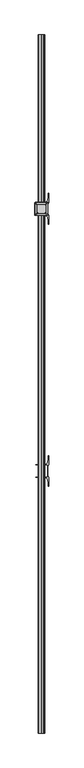
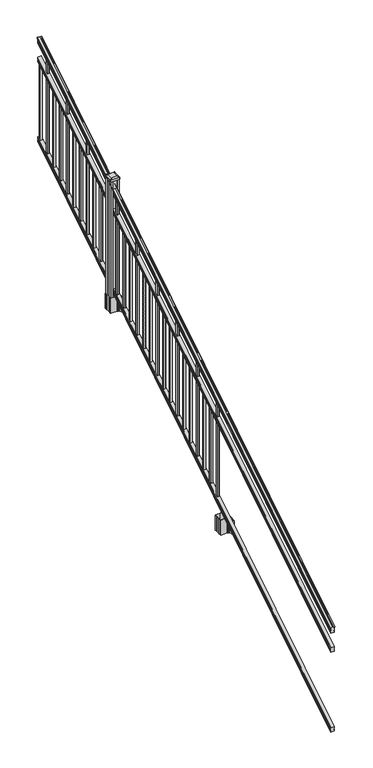
"""IFC4 building model written with IfcOpenShell, lengths in millimetres: railing geometry."""

from ifc_helpers import new_model, si_unit, point, frame, frame_2d, origin, place, context, project, spatial, polyline, circle_curve, ellipse_curve, trimmed, segment, composite_curve, outline, extrude, faceted_brep, source, transform, mapped, element, save
from ifc_brep_helpers import plane_surface, cylinder_surface, revolved_surface, extruded_surface, advanced_brep


def railing_a4d23109(model_context):
    return source(origin(), model_context, "Body", "SolidModel", [
        advanced_brep(
        [(8666.232944, -115957.2628453, 1285.6070492), (8668.8067728, -115957.2628453, 1285.6070492), (8668.8067728, -115957.2628453, 1273.0394336), (8667.7907728, -115957.2628453, 1271.841318), (8667.7907728, -115957.2628453, 1257.3), (8699.5407728, -115957.2628453, 1257.3), (8699.5407728, -115957.2628453, 1272.0274214), (8698.5247728, -115957.2628453, 1273.225537), (8698.5247728, -115957.2628453, 1285.6070492), (8701.0986015, -115957.2628453, 1285.6070492), (8701.0986015, -115957.2628453, 1287.8335658), (8702.2287878, -115957.2628453, 1289.6758543), (8702.2287878, -115957.2628453, 1298.1876358), (8701.5795314, -115957.2628453, 1301.0572588), (8704.0795314, -115957.2628453, 1306.1635509), (8705.4888739, -115957.2628453, 1308.1442021), (8705.8907729, -115957.2628453, 1309.4469579), (8705.8907728, -115957.2628453, 1311.0274846), (8704.3373255, -115957.2628453, 1312.8593836), (8683.6657728, -115957.2628453, 1312.8593836), (8662.99422, -115957.2628453, 1312.8593836), (8661.4407728, -115957.2628453, 1311.0274846), (8661.4407728, -115957.2628453, 1309.4469579), (8661.8426717, -115957.2628453, 1308.1442021), (8663.2520141, -115957.2628453, 1306.1635509), (8665.7520141, -115957.2628453, 1301.0572588), (8665.1027577, -115957.2628453, 1298.1876358), (8665.1027577, -115957.2628453, 1289.6758543), (8666.232944, -115957.2628453, 1287.8335658), (8666.232944, -111080.4628453, 4333.6070492), (8666.232944, -111080.4628453, 4335.8335658), (8665.1027577, -111080.4628453, 4337.6758543), (8665.1027577, -111080.4628453, 4346.1876358), (8665.7520141, -111080.4628453, 4349.0572588), (8663.2520141, -111080.4628453, 4354.1635509), (8661.8426717, -111080.4628453, 4356.1442021), (8661.4407727, -111080.4628453, 4357.4469579), (8661.4407728, -111080.4628453, 4359.0274846), (8662.99422, -111080.4628453, 4360.8593836), (8683.6657728, -111080.4628453, 4360.8593836), (8704.3373255, -111080.4628453, 4360.8593836), (8705.8907728, -111080.4628453, 4359.0274846), (8705.8907728, -111080.4628453, 4357.4469579), (8705.4888739, -111080.4628453, 4356.1442021), (8704.0795314, -111080.4628453, 4354.1635509), (8701.5795314, -111080.4628453, 4349.0572588), (8702.2287878, -111080.4628453, 4346.1876358), (8702.2287878, -111080.4628453, 4337.6758543), (8701.0986015, -111080.4628453, 4335.8335658), (8701.0986015, -111080.4628453, 4333.6070492), (8698.5247728, -111080.4628453, 4333.6070492), (8698.5247728, -111080.4628453, 4321.225537), (8699.5407728, -111080.4628453, 4320.0274214), (8699.5407728, -111080.4628453, 4305.3), (8667.7907728, -111080.4628453, 4305.3), (8667.7907728, -111080.4628453, 4319.841318), (8668.8067728, -111080.4628453, 4321.0394336), (8668.8067728, -111080.4628453, 4333.6070492)],
        [
            (0, 1, ellipse_curve(frame((8667.5198584, -115957.2628453, 1285.6070492), z_axis=(0.0, -1.0, 0.0), x_axis=(0.0, 0.0, -1.0)), 1.5175907, 1.2869144)),
            (1, 2),
            (2, 3),
            (3, 4),
            (4, 5),
            (5, 6),
            (6, 7),
            (7, 8),
            (8, 9, ellipse_curve(frame((8699.8116871, -115957.2628453, 1285.6070492), z_axis=(0.0, -1.0, 0.0), x_axis=(0.0, 0.0, -1.0)), 1.5175907, 1.2869144)),
            (9, 10),
            (10, 11, ellipse_curve(frame((8694.7838482, -115957.2628453, 1294.6239405), z_axis=(0.0, -1.0, 0.0), x_axis=(0.0, 0.0, -1.0)), 10.0777926, 8.545951)),
            (11, 12, ellipse_curve(frame((8695.2209112, -115957.2628453, 1293.9317451), z_axis=(0.0, -1.0, 0.0), x_axis=(0.0, 0.0, -1.0)), 9.2955186, 7.882584)),
            (12, 13, ellipse_curve(frame((8705.7342353, -115957.2628453, 1300.8275077), z_axis=(0.0, 1.0, 0.0), x_axis=(0.0, 0.0, 1.0)), 4.9048088, 4.1592695)),
            (13, 14, ellipse_curve(frame((8707.0215419, -115957.2628453, 1300.7563208), z_axis=(0.0, 1.0, 0.0), x_axis=(0.0, 0.0, 1.0)), 6.4245301, 5.4479907)),
            (14, 15, ellipse_curve(frame((8705.7883834, -115957.2628453, 1306.1602333), z_axis=(0.0, 1.0, 0.0), x_axis=(0.0, 0.0, 1.0)), 2.0151625, 1.7088543)),
            (15, 16, ellipse_curve(frame((8704.1714833, -115957.2628453, 1309.4469579), z_axis=(0.0, -1.0, 0.0), x_axis=(0.0, 0.0, -1.0)), 2.0274681, 1.7192895)),
            (16, 17),
            (17, 18, ellipse_curve(frame((8704.3373255, -115957.2628453, 1311.0274846), z_axis=(0.0, -1.0, 0.0), x_axis=(0.0, 0.0, -1.0)), 1.831899, 1.5534472)),
            (18, 19),
            (19, 20),
            (20, 21, ellipse_curve(frame((8662.99422, -115957.2628453, 1311.0274846), z_axis=(0.0, -1.0, 0.0), x_axis=(0.0, 0.0, -1.0)), 1.831899, 1.5534472)),
            (21, 22),
            (22, 23, ellipse_curve(frame((8663.1600622, -115957.2628453, 1309.4469579), z_axis=(0.0, -1.0, 0.0), x_axis=(0.0, 0.0, -1.0)), 2.0274681, 1.7192895)),
            (23, 24, ellipse_curve(frame((8661.5431621, -115957.2628453, 1306.1602333), z_axis=(0.0, 1.0, 0.0), x_axis=(0.0, 0.0, 1.0)), 2.0151625, 1.7088543)),
            (24, 25, ellipse_curve(frame((8660.3100037, -115957.2628453, 1300.7563208), z_axis=(0.0, 1.0, 0.0), x_axis=(0.0, 0.0, 1.0)), 6.4245301, 5.4479907)),
            (25, 26, ellipse_curve(frame((8661.5973102, -115957.2628453, 1300.8275077), z_axis=(0.0, 1.0, 0.0), x_axis=(0.0, 0.0, 1.0)), 4.9048088, 4.1592695)),
            (26, 27, ellipse_curve(frame((8672.1106343, -115957.2628453, 1293.9317451), z_axis=(0.0, -1.0, 0.0), x_axis=(0.0, 0.0, -1.0)), 9.2955186, 7.882584)),
            (27, 28, ellipse_curve(frame((8672.5476973, -115957.2628453, 1294.6239405), z_axis=(0.0, -1.0, 0.0), x_axis=(0.0, 0.0, -1.0)), 10.0777926, 8.545951)),
            (28, 0),
            (29, 30),
            (30, 31, ellipse_curve(frame((8672.5476973, -111080.4628453, 4342.6239405), z_axis=(0.0, 1.0, 0.0), x_axis=(0.0, 0.0, -1.0)), 10.0777926, 8.545951)),
            (31, 32, ellipse_curve(frame((8672.1106343, -111080.4628453, 4341.9317451), z_axis=(0.0, 1.0, 0.0), x_axis=(0.0, 0.0, -1.0)), 9.2955186, 7.882584)),
            (32, 33, ellipse_curve(frame((8661.5973102, -111080.4628453, 4348.8275077), z_axis=(0.0, -1.0, 0.0), x_axis=(0.0, 0.0, 1.0)), 4.9048088, 4.1592695)),
            (33, 34, ellipse_curve(frame((8660.3100037, -111080.4628453, 4348.7563208), z_axis=(0.0, -1.0, 0.0), x_axis=(0.0, 0.0, 1.0)), 6.4245301, 5.4479907)),
            (34, 35, ellipse_curve(frame((8661.5431621, -111080.4628453, 4354.1602333), z_axis=(0.0, -1.0, 0.0), x_axis=(0.0, 0.0, 1.0)), 2.0151625, 1.7088543)),
            (35, 36, ellipse_curve(frame((8663.1600622, -111080.4628453, 4357.4469579), z_axis=(0.0, 1.0, 0.0), x_axis=(0.0, 0.0, -1.0)), 2.0274681, 1.7192895)),
            (36, 37),
            (37, 38, ellipse_curve(frame((8662.99422, -111080.4628453, 4359.0274846), z_axis=(0.0, 1.0, 0.0), x_axis=(0.0, 0.0, -1.0)), 1.831899, 1.5534472)),
            (38, 39),
            (39, 40),
            (40, 41, ellipse_curve(frame((8704.3373255, -111080.4628453, 4359.0274846), z_axis=(0.0, 1.0, 0.0), x_axis=(0.0, 0.0, -1.0)), 1.831899, 1.5534472)),
            (41, 42),
            (42, 43, ellipse_curve(frame((8704.1714833, -111080.4628453, 4357.4469579), z_axis=(0.0, 1.0, 0.0), x_axis=(0.0, 0.0, -1.0)), 2.0274681, 1.7192895)),
            (43, 44, ellipse_curve(frame((8705.7883834, -111080.4628453, 4354.1602333), z_axis=(0.0, -1.0, 0.0), x_axis=(0.0, 0.0, 1.0)), 2.0151625, 1.7088543)),
            (44, 45, ellipse_curve(frame((8707.0215419, -111080.4628453, 4348.7563208), z_axis=(0.0, -1.0, 0.0), x_axis=(0.0, 0.0, 1.0)), 6.4245301, 5.4479907)),
            (45, 46, ellipse_curve(frame((8705.7342353, -111080.4628453, 4348.8275077), z_axis=(0.0, -1.0, 0.0), x_axis=(0.0, 0.0, 1.0)), 4.9048088, 4.1592695)),
            (46, 47, ellipse_curve(frame((8695.2209112, -111080.4628453, 4341.9317451), z_axis=(0.0, 1.0, 0.0), x_axis=(0.0, 0.0, -1.0)), 9.2955186, 7.882584)),
            (47, 48, ellipse_curve(frame((8694.7838482, -111080.4628453, 4342.6239405), z_axis=(0.0, 1.0, 0.0), x_axis=(0.0, 0.0, -1.0)), 10.0777926, 8.545951)),
            (48, 49),
            (49, 50, ellipse_curve(frame((8699.8116871, -111080.4628453, 4333.6070492), z_axis=(0.0, 1.0, 0.0), x_axis=(0.0, 0.0, -1.0)), 1.5175907, 1.2869144)),
            (50, 51),
            (51, 52),
            (52, 53),
            (53, 54),
            (54, 55),
            (55, 56),
            (56, 57),
            (57, 29, ellipse_curve(frame((8667.5198584, -111080.4628453, 4333.6070492), z_axis=(0.0, 1.0, 0.0), x_axis=(0.0, 0.0, -1.0)), 1.5175907, 1.2869144)),
            (28, 30),
            (29, 0),
            (27, 31),
            (26, 32),
            (25, 33),
            (24, 34),
            (23, 35),
            (22, 36),
            (21, 37),
            (20, 38),
            (19, 39),
            (18, 40),
            (17, 41),
            (16, 42),
            (15, 43),
            (14, 44),
            (13, 45),
            (12, 46),
            (11, 47),
            (10, 48),
            (9, 49),
            (8, 50),
            (7, 51),
            (6, 52),
            (5, 53),
            (4, 54),
            (3, 55),
            (2, 56),
            (1, 57),
        ],
        [
            plane_surface(frame((8683.6657728, -115957.2628453, 1257.3), z_axis=(0.0, -1.0, 0.0), x_axis=(0.0, 0.0, 1.0))),
            plane_surface(frame((8683.6657728, -111080.4628453, 4305.3), z_axis=(0.0, 1.0, 0.0), x_axis=(0.0, 0.0, 1.0))),
            plane_surface(frame((8666.232944, -115957.2628453, 1287.8335658), z_axis=(-1.0, 0.0, 0.0), x_axis=(0.0, 0.8479983040051252, 0.5299989400031204))),
            cylinder_surface(frame((8672.5476973, -115974.03765, 1284.1396876), z_axis=(0.0, -0.8479983040051253, -0.5299989400031204), x_axis=(1.0, 0.0, 0.0)), 8.545951),
            cylinder_surface(frame((8672.1106343, -115973.7265509, 1283.641929), z_axis=(0.0, -0.8479983040051253, -0.5299989400031204), x_axis=(1.0, 0.0, 0.0)), 7.882584),
            revolved_surface(polyline([(8665.7565797, -111078.25843685034, 4350.205262980551), (8665.7565797, -115959.46725374945, 1299.4497524190954)]), (8661.5973102, -115976.8257701, 1288.6006797), (0.0, 0.8479983040051253, 0.5299989400031204)),
            revolved_surface(polyline([(8665.7579944, -111077.57541603575, 4350.5609640771845), (8665.7579944, -115960.15027455281, 1298.9516775044929)]), (8660.3100037, -115976.793776, 1288.5494891), (0.0, 0.8479983040051253, 0.5299989400031204)),
            revolved_surface(polyline([(8663.252016400002, -111079.55715429978, 4354.726290199651), (8663.252016400002, -115958.16853632247, 1305.594176435948)]), (8661.5431621, -115979.2225007, 1292.4354487), (0.0, 0.8479983040051253, 0.5299989400031204)),
            cylinder_surface(frame((8663.1600622, -115980.6996803, 1294.798936), z_axis=(0.0, -0.8479983040051253, -0.5299989400031204), x_axis=(1.0, 0.0, 0.0)), 1.7192895),
            plane_surface(frame((8661.4407728, -115957.2628453, 1311.0274846), z_axis=(-1.0000000000000002, 0.0, 0.0), x_axis=(0.0, 0.8479983040051253, 0.5299989400031204))),
            cylinder_surface(frame((8662.99422, -115981.4100294, 1295.9354945), z_axis=(0.0, -0.8479983040051253, -0.5299989400031204), x_axis=(1.0, 0.0, 0.0)), 1.5534472),
            plane_surface(frame((8683.6657728, -115957.2628453, 1312.8593836), z_axis=(0.0, -0.5299989400031204, 0.8479983040051252), x_axis=(0.0, 0.8479983040051252, 0.5299989400031204))),
            plane_surface(frame((8704.3373255, -115957.2628453, 1312.8593836), z_axis=(0.0, -0.5299989400031204, 0.8479983040051252), x_axis=(0.0, 0.8479983040051252, 0.5299989400031204))),
            cylinder_surface(frame((8704.3373255, -115981.4100294, 1295.9354945), z_axis=(0.0, -0.8479983040051253, -0.5299989400031204), x_axis=(-1.0, 0.0, 0.0)), 1.5534472),
            plane_surface(frame((8705.8907728, -115957.2628453, 1309.4469579), z_axis=(1.0, 0.0, 0.0), x_axis=(0.0, 0.8479983040051252, 0.5299989400031204))),
            cylinder_surface(frame((8704.1714833, -115980.6996803, 1294.798936), z_axis=(0.0, -0.8479983040051253, -0.5299989400031204), x_axis=(-1.0, 0.0, 0.0)), 1.7192895),
            revolved_surface(polyline([(8704.0795291, -111079.55715429978, 4354.726290199651), (8704.0795291, -115958.16853632247, 1305.594176435948)]), (8705.7883834, -115979.2225007, 1292.4354487), (0.0, 0.8479983040051253, 0.5299989400031204)),
            revolved_surface(polyline([(8701.5735512, -111077.57541603575, 4350.5609640771845), (8701.5735512, -115960.15027455281, 1298.9516775044929)]), (8707.0215419, -115976.793776, 1288.5494891), (0.0, 0.8479983040051253, 0.5299989400031204)),
            revolved_surface(polyline([(8701.5749658, -111078.25843685034, 4350.205262980551), (8701.5749658, -115959.46725374945, 1299.4497524190954)]), (8705.7342353, -115976.8257701, 1288.6006797), (0.0, 0.8479983040051253, 0.5299989400031204)),
            cylinder_surface(frame((8695.2209112, -115973.7265509, 1283.641929), z_axis=(0.0, -0.8479983040051253, -0.5299989400031204), x_axis=(-1.0, 0.0, 0.0)), 7.882584),
            cylinder_surface(frame((8694.7838482, -115974.03765, 1284.1396876), z_axis=(0.0, -0.8479983040051253, -0.5299989400031204), x_axis=(-1.0, 0.0, 0.0)), 8.545951),
            plane_surface(frame((8701.0986015, -115957.2628453, 1285.6070492), z_axis=(1.0, 0.0, 0.0), x_axis=(0.0, 0.8479983040051252, 0.5299989400031204))),
            cylinder_surface(frame((8699.8116871, -115969.9851146, 1277.6556309), z_axis=(0.0, -0.8479983040051253, -0.5299989400031204), x_axis=(-1.0, 0.0, 0.0)), 1.2869144),
            plane_surface(frame((8698.5247728, -115957.2628453, 1273.225537), z_axis=(1.0, 0.0, 0.0), x_axis=(0.0, 0.8479983040051252, 0.5299989400031204))),
            plane_surface(frame((8699.5407728, -115957.2628453, 1272.0274214), z_axis=(0.7071067811865425, -0.37476584449789213, 0.5996253511967194), x_axis=(0.0, 0.8479983040051252, 0.5299989400031204))),
            plane_surface(frame((8699.5407728, -115957.2628453, 1257.3), z_axis=(1.0, 0.0, 0.0), x_axis=(0.0, 0.8479983040051252, 0.5299989400031204))),
            plane_surface(frame((8667.7907728, -115957.2628453, 1257.3), z_axis=(0.0, 0.5299989400031204, -0.8479983040051252), x_axis=(0.0, 0.8479983040051252, 0.5299989400031204))),
            plane_surface(frame((8667.7907728, -115957.2628453, 1271.841318), z_axis=(-1.0, 0.0, 0.0), x_axis=(0.0, 0.8479983040051253, 0.5299989400031203))),
            plane_surface(frame((8668.8067728, -115957.2628453, 1273.0394336), z_axis=(-0.7071067811865401, -0.3747658444978918, 0.5996253511967223), x_axis=(0.0, 0.8479983040051253, 0.5299989400031204))),
            plane_surface(frame((8668.8067728, -115957.2628453, 1285.6070492), z_axis=(-1.0, 0.0, 0.0), x_axis=(0.0, 0.8479983040051252, 0.5299989400031204))),
            cylinder_surface(frame((8667.5198584, -115969.9851146, 1277.6556309), z_axis=(0.0, -0.8479983040051253, -0.5299989400031204), x_axis=(1.0, 0.0, 0.0)), 1.2869144),
        ],
        [
            (0, [[1, 2, 3, 4, 5, 6, 7, 8, 9, 10, 11, 12, 13, 14, 15, 16, 17, 18, 19, 20, 21, 22, 23, 24, 25, 26, 27, 28, 29]]),
            (1, [[30, 31, 32, 33, 34, 35, 36, 37, 38, 39, 40, 41, 42, 43, 44, 45, 46, 47, 48, 49, 50, 51, 52, 53, 54, 55, 56, 57, 58]]),
            (2, [[-29, 59, -30, 60]]),
            (3, [[-28, 61, -31, -59]]),
            (4, [[-27, 62, -32, -61]]),
            (5, [[-26, 63, -33, -62]]),
            (6, [[-25, 64, -34, -63]]),
            (7, [[-24, 65, -35, -64]]),
            (8, [[-23, 66, -36, -65]]),
            (9, [[-22, 67, -37, -66]]),
            (10, [[-21, 68, -38, -67]]),
            (11, [[-20, 69, -39, -68]]),
            (12, [[-19, 70, -40, -69]]),
            (13, [[-18, 71, -41, -70]]),
            (14, [[-17, 72, -42, -71]]),
            (15, [[-16, 73, -43, -72]]),
            (16, [[-15, 74, -44, -73]]),
            (17, [[-14, 75, -45, -74]]),
            (18, [[-13, 76, -46, -75]]),
            (19, [[-12, 77, -47, -76]]),
            (20, [[-11, 78, -48, -77]]),
            (21, [[-10, 79, -49, -78]]),
            (22, [[-9, 80, -50, -79]]),
            (23, [[-8, 81, -51, -80]]),
            (24, [[-7, 82, -52, -81]]),
            (25, [[-6, 83, -53, -82]]),
            (26, [[-5, 84, -54, -83]]),
            (27, [[-4, 85, -55, -84]]),
            (28, [[-3, 86, -56, -85]]),
            (29, [[-2, 87, -57, -86]]),
            (30, [[-1, -60, -58, -87]]),
        ],
    ),
        faceted_brep([(8667.7532859, -115957.2628453, 1081.6045079), (8667.7532859, -115957.2628453, 1066.8), (8699.5032859, -115957.2628453, 1066.8), (8699.5032859, -115957.2628453, 1081.5848772), (8698.4872859, -115957.2628453, 1083.1748303), (8698.4872859, -115957.2628453, 1095.3348741), (8699.5032859, -115957.2628453, 1096.9248272), (8699.5032859, -115957.2628453, 1111.7244744), (8667.7532859, -115957.2628453, 1111.7244744), (8667.7532859, -115957.2628453, 1096.9444579), (8668.7692859, -115957.2628453, 1095.3545048), (8668.7692859, -115957.2628453, 1083.138026), (8667.7532859, -111080.4628453, 4129.6045079), (8668.7692859, -111080.4628453, 4131.138026), (8668.7692859, -111080.4628453, 4143.3545048), (8667.7532859, -111080.4628453, 4144.9444579), (8667.7532859, -111080.4628453, 4159.7244744), (8699.5032859, -111080.4628453, 4159.7244744), (8699.5032859, -111080.4628453, 4144.9248272), (8698.4872859, -111080.4628453, 4143.3348741), (8698.4872859, -111080.4628453, 4131.1748303), (8699.5032859, -111080.4628453, 4129.5848772), (8699.5032859, -111080.4628453, 4114.8), (8667.7532859, -111080.4628453, 4114.8)], [[[0, 1, 2, 3, 4, 5, 6, 7, 8, 9, 10, 11]], [[12, 13, 14, 15, 16, 17, 18, 19, 20, 21, 22, 23]], [[0, 11, 13, 12]], [[11, 10, 14, 13]], [[10, 9, 15, 14]], [[9, 8, 16, 15]], [[8, 7, 17, 16]], [[7, 6, 18, 17]], [[6, 5, 19, 18]], [[5, 4, 20, 19]], [[4, 3, 21, 20]], [[3, 2, 22, 21]], [[2, 1, 23, 22]], [[1, 0, 12, 23]]]),
        faceted_brep([(8667.7532859, -115957.2628453, 268.8045079), (8667.7532859, -115957.2628453, 254.0), (8699.5032859, -115957.2628453, 254.0), (8699.5032859, -115957.2628453, 268.7848772), (8698.4872859, -115957.2628453, 270.3748303), (8698.4872859, -115957.2628453, 282.5348741), (8699.5032859, -115957.2628453, 284.1248272), (8699.5032859, -115957.2628453, 298.9244744), (8667.7532859, -115957.2628453, 298.9244744), (8667.7532859, -115957.2628453, 284.1444579), (8668.7692859, -115957.2628453, 282.5545048), (8668.7692859, -115957.2628453, 270.338026), (8667.7532859, -111080.4628453, 3316.8045079), (8668.7692859, -111080.4628453, 3318.338026), (8668.7692859, -111080.4628453, 3330.5545048), (8667.7532859, -111080.4628453, 3332.1444579), (8667.7532859, -111080.4628453, 3346.9244744), (8699.5032859, -111080.4628453, 3346.9244744), (8699.5032859, -111080.4628453, 3332.1248272), (8698.4872859, -111080.4628453, 3330.5348741), (8698.4872859, -111080.4628453, 3318.3748303), (8699.5032859, -111080.4628453, 3316.7848772), (8699.5032859, -111080.4628453, 3302.0), (8667.7532859, -111080.4628453, 3302.0)], [[[0, 1, 2, 3, 4, 5, 6, 7, 8, 9, 10, 11]], [[12, 13, 14, 15, 16, 17, 18, 19, 20, 21, 22, 23]], [[1, 0, 12, 23]], [[7, 6, 18, 17]], [[9, 8, 16, 15]], [[11, 10, 14, 13]], [[2, 1, 23, 22]], [[3, 2, 22, 21]], [[4, 3, 21, 20]], [[5, 4, 20, 19]], [[6, 5, 19, 18]], [[8, 7, 17, 16]], [[10, 9, 15, 14]], [[0, 11, 13, 12]]]),
        extrude(outline(polyline([(8674.1407728, -111111.5778453), (8674.1407728, -111092.5278453), (8693.1907728, -111092.5278453), (8693.1907728, -111111.5778453), (8674.1407728, -111111.5778453)]), holes=[polyline([(8674.5376478, -111111.1809703), (8692.7938978, -111111.1809703), (8692.7938978, -111092.9247203), (8674.5376478, -111092.9247203), (8674.5376478, -111111.1809703)])]), frame((0.0, 0.0, 3326.6021281), z_axis=(0.0, 0.0, 1.0), x_axis=(1.0, 0.0, 0.0)), (0.0, 0.0, 1.0), 774.7041219),
        extrude(outline(polyline([(8674.1407728, -111222.8298453), (8674.1407728, -111203.7798453), (8693.1907728, -111203.7798453), (8693.1907728, -111222.8298453), (8674.1407728, -111222.8298453)]), holes=[polyline([(8674.5376478, -111222.4329703), (8692.7938978, -111222.4329703), (8692.7938978, -111204.1767203), (8674.5376478, -111204.1767203), (8674.5376478, -111222.4329703)])]), frame((0.0, 0.0, 3257.0696281), z_axis=(0.0, 0.0, 1.0), x_axis=(1.0, 0.0, 0.0)), (0.0, 0.0, 1.0), 965.2041219),
        extrude(outline(polyline([(8674.1407728, -111334.0818453), (8674.1407728, -111315.0318453), (8693.1907728, -111315.0318453), (8693.1907728, -111334.0818453), (8674.1407728, -111334.0818453)]), holes=[polyline([(8674.5376478, -111333.6849703), (8692.7938978, -111333.6849703), (8692.7938978, -111315.4287203), (8674.5376478, -111315.4287203), (8674.5376478, -111333.6849703)])]), frame((0.0, 0.0, 3187.5371281), z_axis=(0.0, 0.0, 1.0), x_axis=(1.0, 0.0, 0.0)), (0.0, 0.0, 1.0), 774.7041219),
        extrude(outline(polyline([(8674.1407728, -111445.3338453), (8674.1407728, -111426.2838453), (8693.1907728, -111426.2838453), (8693.1907728, -111445.3338453), (8674.1407728, -111445.3338453)]), holes=[polyline([(8674.5376478, -111444.9369703), (8692.7938978, -111444.9369703), (8692.7938978, -111426.6807203), (8674.5376478, -111426.6807203), (8674.5376478, -111444.9369703)])]), frame((0.0, 0.0, 3118.0046281), z_axis=(0.0, 0.0, 1.0), x_axis=(1.0, 0.0, 0.0)), (0.0, 0.0, 1.0), 774.7041219),
        extrude(outline(polyline([(8674.1407728, -111556.5858453), (8674.1407728, -111537.5358453), (8693.1907728, -111537.5358453), (8693.1907728, -111556.5858453), (8674.1407728, -111556.5858453)]), holes=[polyline([(8674.5376478, -111556.1889703), (8692.7938978, -111556.1889703), (8692.7938978, -111537.9327203), (8674.5376478, -111537.9327203), (8674.5376478, -111556.1889703)])]), frame((0.0, 0.0, 3048.4721281), z_axis=(0.0, 0.0, 1.0), x_axis=(1.0, 0.0, 0.0)), (0.0, 0.0, 1.0), 965.2041219),
        extrude(outline(polyline([(8674.1407728, -111667.8378453), (8674.1407728, -111648.7878453), (8693.1907728, -111648.7878453), (8693.1907728, -111667.8378453), (8674.1407728, -111667.8378453)]), holes=[polyline([(8674.5376478, -111667.4409703), (8692.7938978, -111667.4409703), (8692.7938978, -111649.1847203), (8674.5376478, -111649.1847203), (8674.5376478, -111667.4409703)])]), frame((0.0, 0.0, 2978.9396281), z_axis=(0.0, 0.0, 1.0), x_axis=(1.0, 0.0, 0.0)), (0.0, 0.0, 1.0), 774.7041219),
        extrude(outline(polyline([(8674.1407728, -111779.0898453), (8674.1407728, -111760.0398453), (8693.1907728, -111760.0398453), (8693.1907728, -111779.0898453), (8674.1407728, -111779.0898453)]), holes=[polyline([(8674.5376478, -111778.6929703), (8692.7938978, -111778.6929703), (8692.7938978, -111760.4367203), (8674.5376478, -111760.4367203), (8674.5376478, -111778.6929703)])]), frame((0.0, 0.0, 2909.4071281), z_axis=(0.0, 0.0, 1.0), x_axis=(1.0, 0.0, 0.0)), (0.0, 0.0, 1.0), 774.7041219),
        extrude(outline(polyline([(8674.1407728, -111890.3418453), (8674.1407728, -111871.2918453), (8693.1907728, -111871.2918453), (8693.1907728, -111890.3418453), (8674.1407728, -111890.3418453)]), holes=[polyline([(8674.5376478, -111889.9449703), (8692.7938978, -111889.9449703), (8692.7938978, -111871.6887203), (8674.5376478, -111871.6887203), (8674.5376478, -111889.9449703)])]), frame((0.0, 0.0, 2839.8746281), z_axis=(0.0, 0.0, 1.0), x_axis=(1.0, 0.0, 0.0)), (0.0, 0.0, 1.0), 965.2041219),
        extrude(outline(polyline([(8674.1407728, -112001.5938453), (8674.1407728, -111982.5438453), (8693.1907728, -111982.5438453), (8693.1907728, -112001.5938453), (8674.1407728, -112001.5938453)]), holes=[polyline([(8674.5376478, -112001.1969703), (8692.7938978, -112001.1969703), (8692.7938978, -111982.9407203), (8674.5376478, -111982.9407203), (8674.5376478, -112001.1969703)])]), frame((0.0, 0.0, 2770.3421281), z_axis=(0.0, 0.0, 1.0), x_axis=(1.0, 0.0, 0.0)), (0.0, 0.0, 1.0), 774.7041219),
        extrude(outline(polyline([(8674.1407728, -112112.8458453), (8674.1407728, -112093.7958453), (8693.1907728, -112093.7958453), (8693.1907728, -112112.8458453), (8674.1407728, -112112.8458453)]), holes=[polyline([(8674.5376478, -112112.4489703), (8692.7938978, -112112.4489703), (8692.7938978, -112094.1927203), (8674.5376478, -112094.1927203), (8674.5376478, -112112.4489703)])]), frame((0.0, 0.0, 2700.8096281), z_axis=(0.0, 0.0, 1.0), x_axis=(1.0, 0.0, 0.0)), (0.0, 0.0, 1.0), 774.7041219),
        extrude(outline(polyline([(8674.1407728, -112224.0978453), (8674.1407728, -112205.0478453), (8693.1907728, -112205.0478453), (8693.1907728, -112224.0978453), (8674.1407728, -112224.0978453)]), holes=[polyline([(8674.5376478, -112223.7009703), (8692.7938978, -112223.7009703), (8692.7938978, -112205.4447203), (8674.5376478, -112205.4447203), (8674.5376478, -112223.7009703)])]), frame((0.0, 0.0, 2631.2771281), z_axis=(0.0, 0.0, 1.0), x_axis=(1.0, 0.0, 0.0)), (0.0, 0.0, 1.0), 965.2041219),
        extrude(outline(composite_curve([segment(polyline([(8640.9302728, -112312.9849401), (8640.9302728, -112278.2127504), (8639.3427728, -112277.4507504), (8639.3427728, -112254.6488224), (8642.7157498, -112251.2758453), (8704.1754206, -112251.2758453), (8704.1754206, -112250.3550953), (8709.4929645, -112250.3550953), (8709.4929645, -112248.9008406), (8714.5774942, -112248.9008406), (8714.5774942, -112247.6168168), (8716.2447665, -112247.6168168)]), True, "CONTINUOUS"), segment(trimmed(circle_curve(frame_2d((8716.2447665, -112240.5573569)), 7.0594599), [point((8716.2447665, -112247.6168168))], [point((8723.0120293, -112242.5673636))], True, "CARTESIAN"), True, "CONTINUOUS"), segment(polyline([(8723.0120293, -112242.5673636), (8730.8862236, -112216.0566345)]), True, "CONTINUOUS"), segment(trimmed(circle_curve(frame_2d((8676.1017103, -112199.7845848)), 57.15), [point((8730.8862236, -112216.0566345))], [point((8733.2517103, -112199.7845848))], True, "CARTESIAN"), True, "CONTINUOUS"), segment(polyline([(8733.2517103, -112199.7845848), (8733.2517103, -112187.7758453), (8736.2517103, -112187.7758453), (8736.2517103, -112252.8633453), (8727.9887728, -112264.2016366), (8727.9887728, -112277.4507504), (8726.4012728, -112278.2127504), (8726.4012728, -112312.9849401), (8727.9887728, -112313.7469401), (8727.9887728, -112326.996054), (8736.2517103, -112338.3343453), (8736.2517103, -112403.4218453), (8733.2517103, -112403.4218453), (8733.2517103, -112391.4131057)]), True, "CONTINUOUS"), segment(trimmed(circle_curve(frame_2d((8676.1017103, -112391.4131057)), 57.15), [point((8733.2517103, -112391.4131057))], [point((8730.8862236, -112375.1410561))], True, "CARTESIAN"), True, "CONTINUOUS"), segment(polyline([(8730.8862236, -112375.1410561), (8723.0120293, -112348.630327)]), True, "CONTINUOUS"), segment(trimmed(circle_curve(frame_2d((8716.2447665, -112350.6403337)), 7.0594599), [point((8723.0120293, -112348.630327))], [point((8716.2447665, -112343.5808738))], True, "CARTESIAN"), True, "CONTINUOUS"), segment(polyline([(8716.2447665, -112343.5808738), (8714.5774942, -112343.5808738), (8714.5774942, -112342.29685), (8709.4929645, -112342.29685), (8709.4929645, -112340.8425953), (8704.1754206, -112340.8425953), (8704.1754206, -112339.9218453), (8642.7157498, -112339.9218453), (8639.3427728, -112336.5488682), (8639.3427728, -112313.7469401), (8640.9302728, -112312.9849401)]), True, "CONTINUOUS")], self_intersect=False), holes=[polyline([(8724.9407728, -112255.9113453), (8723.3532728, -112254.3238453), (8686.4289902, -112254.3238453), (8643.9782728, -112254.3238453), (8642.3907728, -112255.9113453), (8642.3907728, -112335.2863453), (8643.9782728, -112336.8738453), (8686.4289902, -112336.8738453), (8723.3532728, -112336.8738453), (8724.9407728, -112335.2863453), (8724.9407728, -112255.9113453)])]), frame((0.0, 0.0, 2326.64), z_axis=(0.0, 0.0, 1.0), x_axis=(1.0, 0.0, 0.0)), (0.0, 0.0, 1.0), 152.4),
        advanced_brep(
        [(8709.4626478, -112324.5707203, 3691.379263), (8712.6376478, -112321.3957203, 3691.379263), (8712.6376478, -112269.8019703, 3691.379263), (8709.4626478, -112266.6269703, 3691.379263), (8657.8688978, -112266.6269703, 3691.379263), (8654.6938978, -112269.8019703, 3691.379263), (8654.6938978, -112321.3957203, 3691.379263), (8657.8688978, -112324.5707203, 3691.379263), (8725.7345228, -112340.8425953, 3680.076263), (8641.5970228, -112340.8425953, 3680.076263), (8638.4220228, -112337.6675953, 3680.076263), (8638.4220228, -112253.5300953, 3680.076263), (8641.5970228, -112250.3550953, 3680.076263), (8725.7345228, -112250.3550953, 3680.076263), (8728.9095228, -112253.5300953, 3680.076263), (8728.9095228, -112337.6675953, 3680.076263)],
        [
            (0, 1, circle_curve(frame((8709.4626478, -112321.3957203, 3691.379263), z_axis=(0.0, 0.0, 1.0), x_axis=(0.0, 1.0, 0.0)), 3.175)),
            (1, 2),
            (2, 3, circle_curve(frame((8709.4626478, -112269.8019703, 3691.379263), z_axis=(0.0, 0.0, 1.0), x_axis=(0.0, 1.0, 0.0)), 3.175)),
            (3, 4),
            (4, 5, circle_curve(frame((8657.8688978, -112269.8019703, 3691.379263), z_axis=(0.0, 0.0, 1.0), x_axis=(0.0, 1.0, 0.0)), 3.175)),
            (5, 6),
            (6, 7, circle_curve(frame((8657.8688978, -112321.3957203, 3691.379263), z_axis=(0.0, 0.0, 1.0), x_axis=(0.0, 1.0, 0.0)), 3.175)),
            (7, 0),
            (8, 9),
            (9, 10, circle_curve(frame((8641.5970228, -112337.6675953, 3680.076263), z_axis=(0.0, 0.0, -1.0), x_axis=(0.0, 1.0, 0.0)), 3.175)),
            (10, 11),
            (11, 12, circle_curve(frame((8641.5970228, -112253.5300953, 3680.076263), z_axis=(0.0, 0.0, -1.0), x_axis=(0.0, 1.0, 0.0)), 3.175)),
            (12, 13),
            (13, 14, circle_curve(frame((8725.7345228, -112253.5300953, 3680.076263), z_axis=(0.0, 0.0, -1.0), x_axis=(0.0, 1.0, 0.0)), 3.175)),
            (14, 15),
            (15, 8, circle_curve(frame((8725.7345228, -112337.6675953, 3680.076263), z_axis=(0.0, 0.0, -1.0), x_axis=(0.0, 1.0, 0.0)), 3.175)),
            (15, 1),
            (0, 8),
            (14, 2),
            (13, 3),
            (12, 4),
            (11, 5),
            (10, 6),
            (9, 7),
        ],
        [
            plane_surface(frame((8683.6657728, -112295.5988453, 3691.379263), z_axis=(0.0, 0.0, 1.0), x_axis=(1.0, 0.0, 0.0))),
            plane_surface(frame((8683.6657728, -112295.5988453, 3680.076263), z_axis=(0.0, 0.0, -1.0), x_axis=(1.0, 0.0, 0.0))),
            extruded_surface(trimmed(circle_curve(frame((8725.7345228, -112337.6675953, 3680.076263), z_axis=(0.0, 0.0, 1.0), x_axis=(0.0, 1.0, 0.0)), 3.175), [point((8725.7345228, -112340.8425953, 3680.076263))], [point((8728.9095228, -112337.6675953, 3680.076263))], True, "CARTESIAN"), (-16.271875000000364, 16.27187499999127, 11.302999999999884), 25.637972638860802),
            plane_surface(frame((8728.9095228, -112295.5988453, 3680.076263), z_axis=(0.5705009161540778, 0.0, 0.8212969649690408), x_axis=(0.0, 1.0, 0.0))),
            extruded_surface(trimmed(circle_curve(frame((8725.7345228, -112253.5300953, 3680.076263), z_axis=(0.0, 0.0, 1.0), x_axis=(0.0, 1.0, 0.0)), 3.175), [point((8728.9095228, -112253.5300953, 3680.076263))], [point((8725.7345228, -112250.3550953, 3680.076263))], True, "CARTESIAN"), (-16.271875000000364, -16.27187500000582, 11.302999999999884), 25.637972638870036),
            plane_surface(frame((8683.6657728, -112250.3550953, 3680.076263), z_axis=(0.0, 0.5705009161540291, 0.8212969649690747), x_axis=(-1.0, 0.0, 0.0))),
            extruded_surface(trimmed(circle_curve(frame((8641.5970228, -112253.5300953, 3680.076263), z_axis=(0.0, 0.0, 1.0), x_axis=(0.0, 1.0, 0.0)), 3.175), [point((8641.5970228, -112250.3550953, 3680.076263))], [point((8638.4220228, -112253.5300953, 3680.076263))], True, "CARTESIAN"), (16.271874999998545, -16.27187500000582, 11.302999999999884), 25.63797263886888),
            plane_surface(frame((8638.4220228, -112295.5988453, 3680.076263), z_axis=(-0.5705009161540142, 0.0, 0.8212969649690851), x_axis=(0.0, -1.0, 0.0))),
            extruded_surface(trimmed(circle_curve(frame((8641.5970228, -112337.6675953, 3680.076263), z_axis=(0.0, 0.0, 1.0), x_axis=(0.0, 1.0, 0.0)), 3.175), [point((8638.4220228, -112337.6675953, 3680.076263))], [point((8641.5970228, -112340.8425953, 3680.076263))], True, "CARTESIAN"), (16.271874999998545, 16.27187499999127, 11.302999999999884), 25.637972638859644),
            plane_surface(frame((8683.6657728, -112340.8425953, 3680.076263), z_axis=(0.0, -0.570500916154034, 0.8212969649690713), x_axis=(1.0, 0.0, 0.0))),
        ],
        [
            (0, [[1, 2, 3, 4, 5, 6, 7, 8]]),
            (1, [[9, 10, 11, 12, 13, 14, 15, 16]]),
            (2, [[-16, 17, -1, 18]]),
            (3, [[-15, 19, -2, -17]]),
            (4, [[-14, 20, -3, -19]]),
            (5, [[-13, 21, -4, -20]]),
            (6, [[-12, 22, -5, -21]]),
            (7, [[-11, 23, -6, -22]]),
            (8, [[-10, 24, -7, -23]]),
            (9, [[-9, -18, -8, -24]]),
        ],
    ),
        extrude(outline(composite_curve([segment(polyline([(8725.7345228, -112340.8425953), (8641.5970228, -112340.8425953)]), True, "CONTINUOUS"), segment(trimmed(circle_curve(frame_2d((8641.5970228, -112337.6675953)), 3.175), [point((8641.5970228, -112340.8425953))], [point((8638.4220228, -112337.6675953))], False, "CARTESIAN"), True, "CONTINUOUS"), segment(polyline([(8638.4220228, -112337.6675953), (8638.4220228, -112253.5300953)]), True, "CONTINUOUS"), segment(trimmed(circle_curve(frame_2d((8641.5970228, -112253.5300953)), 3.175), [point((8638.4220228, -112253.5300953))], [point((8641.5970228, -112250.3550953))], False, "CARTESIAN"), True, "CONTINUOUS"), segment(polyline([(8641.5970228, -112250.3550953), (8725.7345228, -112250.3550953)]), True, "CONTINUOUS"), segment(trimmed(circle_curve(frame_2d((8725.7345228, -112253.5300953)), 3.175), [point((8725.7345228, -112250.3550953))], [point((8728.9095228, -112253.5300953))], False, "CARTESIAN"), True, "CONTINUOUS"), segment(polyline([(8728.9095228, -112253.5300953), (8728.9095228, -112337.6675953)]), True, "CONTINUOUS"), segment(trimmed(circle_curve(frame_2d((8725.7345228, -112337.6675953)), 3.175), [point((8728.9095228, -112337.6675953))], [point((8725.7345228, -112340.8425953))], False, "CARTESIAN"), True, "CONTINUOUS")], self_intersect=False)), frame((0.0, 0.0, 3662.804263), z_axis=(0.0, 0.0, 1.0), x_axis=(1.0, 0.0, 0.0)), (0.0, 0.0, 1.0), 17.272),
        extrude(outline(polyline([(8723.3532728, -112336.8738453), (8703.7317728, -112336.8738453), (8702.9697728, -112335.2863453), (8664.3617728, -112335.2863453), (8663.5997728, -112336.8738453), (8643.9782728, -112336.8738453), (8642.3907728, -112335.2863453), (8642.3907728, -112315.6648453), (8643.9782728, -112314.9028453), (8643.9782728, -112276.2948453), (8642.3907728, -112275.5328453), (8642.3907728, -112255.9113453), (8643.9782728, -112254.3238453), (8663.5997728, -112254.3238453), (8664.3617728, -112255.9113453), (8702.9697728, -112255.9113453), (8703.7317728, -112254.3238453), (8723.3532728, -112254.3238453), (8724.9407728, -112255.9113453), (8724.9407728, -112275.5328453), (8723.3532728, -112276.2948453), (8723.3532728, -112314.9028453), (8724.9407728, -112315.6648453), (8724.9407728, -112335.2863453), (8723.3532728, -112336.8738453)])), frame((0.0, 0.0, 2479.04), z_axis=(0.0, 0.0, 1.0), x_axis=(1.0, 0.0, 0.0)), (0.0, 0.0, 1.0), 1183.764263),
        extrude(outline(polyline([(8674.1407728, -112386.1498453), (8674.1407728, -112367.0998453), (8693.1907728, -112367.0998453), (8693.1907728, -112386.1498453), (8674.1407728, -112386.1498453)]), holes=[polyline([(8674.5376478, -112385.7529703), (8692.7938978, -112385.7529703), (8692.7938978, -112367.4967203), (8674.5376478, -112367.4967203), (8674.5376478, -112385.7529703)])]), frame((0.0, 0.0, 2529.9946281), z_axis=(0.0, 0.0, 1.0), x_axis=(1.0, 0.0, 0.0)), (0.0, 0.0, 1.0), 965.2041219),
        extrude(outline(polyline([(8674.1407728, -112497.4018453), (8674.1407728, -112478.3518453), (8693.1907728, -112478.3518453), (8693.1907728, -112497.4018453), (8674.1407728, -112497.4018453)]), holes=[polyline([(8674.5376478, -112497.0049703), (8692.7938978, -112497.0049703), (8692.7938978, -112478.7487203), (8674.5376478, -112478.7487203), (8674.5376478, -112497.0049703)])]), frame((0.0, 0.0, 2460.4621281), z_axis=(0.0, 0.0, 1.0), x_axis=(1.0, 0.0, 0.0)), (0.0, 0.0, 1.0), 774.7041219),
        extrude(outline(polyline([(8674.1407728, -112608.6538453), (8674.1407728, -112589.6038453), (8693.1907728, -112589.6038453), (8693.1907728, -112608.6538453), (8674.1407728, -112608.6538453)]), holes=[polyline([(8674.5376478, -112608.2569703), (8692.7938978, -112608.2569703), (8692.7938978, -112590.0007203), (8674.5376478, -112590.0007203), (8674.5376478, -112608.2569703)])]), frame((0.0, 0.0, 2390.9296281), z_axis=(0.0, 0.0, 1.0), x_axis=(1.0, 0.0, 0.0)), (0.0, 0.0, 1.0), 774.7041219),
        extrude(outline(polyline([(8674.1407728, -112719.9058453), (8674.1407728, -112700.8558453), (8693.1907728, -112700.8558453), (8693.1907728, -112719.9058453), (8674.1407728, -112719.9058453)]), holes=[polyline([(8674.5376478, -112719.5089703), (8692.7938978, -112719.5089703), (8692.7938978, -112701.2527203), (8674.5376478, -112701.2527203), (8674.5376478, -112719.5089703)])]), frame((0.0, 0.0, 2321.3971281), z_axis=(0.0, 0.0, 1.0), x_axis=(1.0, 0.0, 0.0)), (0.0, 0.0, 1.0), 965.2041219),
        extrude(outline(polyline([(8674.1407728, -112831.1578453), (8674.1407728, -112812.1078453), (8693.1907728, -112812.1078453), (8693.1907728, -112831.1578453), (8674.1407728, -112831.1578453)]), holes=[polyline([(8674.5376478, -112830.7609703), (8692.7938978, -112830.7609703), (8692.7938978, -112812.5047203), (8674.5376478, -112812.5047203), (8674.5376478, -112830.7609703)])]), frame((0.0, 0.0, 2251.8646281), z_axis=(0.0, 0.0, 1.0), x_axis=(1.0, 0.0, 0.0)), (0.0, 0.0, 1.0), 774.7041219),
        extrude(outline(polyline([(8674.1407728, -112942.4098453), (8674.1407728, -112923.3598453), (8693.1907728, -112923.3598453), (8693.1907728, -112942.4098453), (8674.1407728, -112942.4098453)]), holes=[polyline([(8674.5376478, -112942.0129703), (8692.7938978, -112942.0129703), (8692.7938978, -112923.7567203), (8674.5376478, -112923.7567203), (8674.5376478, -112942.0129703)])]), frame((0.0, 0.0, 2182.3321281), z_axis=(0.0, 0.0, 1.0), x_axis=(1.0, 0.0, 0.0)), (0.0, 0.0, 1.0), 774.7041219),
        extrude(outline(polyline([(8674.1407728, -113053.6618453), (8674.1407728, -113034.6118453), (8693.1907728, -113034.6118453), (8693.1907728, -113053.6618453), (8674.1407728, -113053.6618453)]), holes=[polyline([(8674.5376478, -113053.2649703), (8692.7938978, -113053.2649703), (8692.7938978, -113035.0087203), (8674.5376478, -113035.0087203), (8674.5376478, -113053.2649703)])]), frame((0.0, 0.0, 2112.7996281), z_axis=(0.0, 0.0, 1.0), x_axis=(1.0, 0.0, 0.0)), (0.0, 0.0, 1.0), 965.2041219),
        extrude(outline(polyline([(8674.1407728, -113164.9138453), (8674.1407728, -113145.8638453), (8693.1907728, -113145.8638453), (8693.1907728, -113164.9138453), (8674.1407728, -113164.9138453)]), holes=[polyline([(8674.5376478, -113164.5169703), (8692.7938978, -113164.5169703), (8692.7938978, -113146.2607203), (8674.5376478, -113146.2607203), (8674.5376478, -113164.5169703)])]), frame((0.0, 0.0, 2043.2671281), z_axis=(0.0, 0.0, 1.0), x_axis=(1.0, 0.0, 0.0)), (0.0, 0.0, 1.0), 774.7041219),
        extrude(outline(polyline([(8674.1407728, -113276.1658453), (8674.1407728, -113257.1158453), (8693.1907728, -113257.1158453), (8693.1907728, -113276.1658453), (8674.1407728, -113276.1658453)]), holes=[polyline([(8674.5376478, -113275.7689703), (8692.7938978, -113275.7689703), (8692.7938978, -113257.5127203), (8674.5376478, -113257.5127203), (8674.5376478, -113275.7689703)])]), frame((0.0, 0.0, 1973.7346281), z_axis=(0.0, 0.0, 1.0), x_axis=(1.0, 0.0, 0.0)), (0.0, 0.0, 1.0), 774.7041219),
        extrude(outline(polyline([(8674.1407728, -113387.4178453), (8674.1407728, -113368.3678453), (8693.1907728, -113368.3678453), (8693.1907728, -113387.4178453), (8674.1407728, -113387.4178453)]), holes=[polyline([(8674.5376478, -113387.0209703), (8692.7938978, -113387.0209703), (8692.7938978, -113368.7647203), (8674.5376478, -113368.7647203), (8674.5376478, -113387.0209703)])]), frame((0.0, 0.0, 1904.2021281), z_axis=(0.0, 0.0, 1.0), x_axis=(1.0, 0.0, 0.0)), (0.0, 0.0, 1.0), 965.2041219),
        extrude(outline(polyline([(8674.1407728, -113498.6698453), (8674.1407728, -113479.6198453), (8693.1907728, -113479.6198453), (8693.1907728, -113498.6698453), (8674.1407728, -113498.6698453)]), holes=[polyline([(8674.5376478, -113498.2729703), (8692.7938978, -113498.2729703), (8692.7938978, -113480.0167203), (8674.5376478, -113480.0167203), (8674.5376478, -113498.2729703)])]), frame((0.0, 0.0, 1834.6696281), z_axis=(0.0, 0.0, 1.0), x_axis=(1.0, 0.0, 0.0)), (0.0, 0.0, 1.0), 774.7041219),
        extrude(outline(polyline([(8674.1407728, -113609.9218453), (8674.1407728, -113590.8718453), (8693.1907728, -113590.8718453), (8693.1907728, -113609.9218453), (8674.1407728, -113609.9218453)]), holes=[polyline([(8674.5376478, -113609.5249703), (8692.7938978, -113609.5249703), (8692.7938978, -113591.2687203), (8674.5376478, -113591.2687203), (8674.5376478, -113609.5249703)])]), frame((0.0, 0.0, 1765.1371281), z_axis=(0.0, 0.0, 1.0), x_axis=(1.0, 0.0, 0.0)), (0.0, 0.0, 1.0), 774.7041219),
        extrude(outline(polyline([(8674.1407728, -113721.1738453), (8674.1407728, -113702.1238453), (8693.1907728, -113702.1238453), (8693.1907728, -113721.1738453), (8674.1407728, -113721.1738453)]), holes=[polyline([(8674.5376478, -113720.7769703), (8692.7938978, -113720.7769703), (8692.7938978, -113702.5207203), (8674.5376478, -113702.5207203), (8674.5376478, -113720.7769703)])]), frame((0.0, 0.0, 1695.6046281), z_axis=(0.0, 0.0, 1.0), x_axis=(1.0, 0.0, 0.0)), (0.0, 0.0, 1.0), 965.2041219),
        extrude(outline(polyline([(8674.1407728, -113832.4258453), (8674.1407728, -113813.3758453), (8693.1907728, -113813.3758453), (8693.1907728, -113832.4258453), (8674.1407728, -113832.4258453)]), holes=[polyline([(8674.5376478, -113832.0289703), (8692.7938978, -113832.0289703), (8692.7938978, -113813.7727203), (8674.5376478, -113813.7727203), (8674.5376478, -113832.0289703)])]), frame((0.0, 0.0, 1626.0721281), z_axis=(0.0, 0.0, 1.0), x_axis=(1.0, 0.0, 0.0)), (0.0, 0.0, 1.0), 774.7041219),
        extrude(outline(polyline([(8674.1407728, -113943.6778453), (8674.1407728, -113924.6278453), (8693.1907728, -113924.6278453), (8693.1907728, -113943.6778453), (8674.1407728, -113943.6778453)]), holes=[polyline([(8674.5376478, -113943.2809703), (8692.7938978, -113943.2809703), (8692.7938978, -113925.0247203), (8674.5376478, -113925.0247203), (8674.5376478, -113943.2809703)])]), frame((0.0, 0.0, 1556.5396281), z_axis=(0.0, 0.0, 1.0), x_axis=(1.0, 0.0, 0.0)), (0.0, 0.0, 1.0), 774.7041219),
        extrude(outline(polyline([(8674.1407728, -114054.9298453), (8674.1407728, -114035.8798453), (8693.1907728, -114035.8798453), (8693.1907728, -114054.9298453), (8674.1407728, -114054.9298453)]), holes=[polyline([(8674.5376478, -114054.5329703), (8692.7938978, -114054.5329703), (8692.7938978, -114036.2767203), (8674.5376478, -114036.2767203), (8674.5376478, -114054.5329703)])]), frame((0.0, 0.0, 1487.0071281), z_axis=(0.0, 0.0, 1.0), x_axis=(1.0, 0.0, 0.0)), (0.0, 0.0, 1.0), 965.2041219),
        extrude(outline(composite_curve([segment(polyline([(8640.9302728, -114143.8169401), (8640.9302728, -114109.0447504), (8639.3427728, -114108.2827504), (8639.3427728, -114085.4808224), (8642.7157498, -114082.1078453), (8704.1754206, -114082.1078453), (8704.1754206, -114081.1870953), (8709.4929645, -114081.1870953), (8709.4929645, -114079.7328406), (8714.5774942, -114079.7328406), (8714.5774942, -114078.4488168), (8716.2447665, -114078.4488168)]), True, "CONTINUOUS"), segment(trimmed(circle_curve(frame_2d((8716.2447665, -114071.3893569)), 7.0594599), [point((8716.2447665, -114078.4488168))], [point((8723.0120293, -114073.3993636))], True, "CARTESIAN"), True, "CONTINUOUS"), segment(polyline([(8723.0120293, -114073.3993636), (8730.8862236, -114046.8886345)]), True, "CONTINUOUS"), segment(trimmed(circle_curve(frame_2d((8676.1017103, -114030.6165848)), 57.15), [point((8730.8862236, -114046.8886345))], [point((8733.2517103, -114030.6165848))], True, "CARTESIAN"), True, "CONTINUOUS"), segment(polyline([(8733.2517103, -114030.6165848), (8733.2517103, -114018.6078453), (8736.2517103, -114018.6078453), (8736.2517103, -114083.6953453), (8727.9887728, -114095.0336366), (8727.9887728, -114108.2827504), (8726.4012728, -114109.0447504), (8726.4012728, -114143.8169401), (8727.9887728, -114144.5789401), (8727.9887728, -114157.828054), (8736.2517103, -114169.1663453), (8736.2517103, -114234.2538453), (8733.2517103, -114234.2538453), (8733.2517103, -114222.2451057)]), True, "CONTINUOUS"), segment(trimmed(circle_curve(frame_2d((8676.1017103, -114222.2451057)), 57.15), [point((8733.2517103, -114222.2451057))], [point((8730.8862236, -114205.9730561))], True, "CARTESIAN"), True, "CONTINUOUS"), segment(polyline([(8730.8862236, -114205.9730561), (8723.0120293, -114179.462327)]), True, "CONTINUOUS"), segment(trimmed(circle_curve(frame_2d((8716.2447665, -114181.4723337)), 7.0594599), [point((8723.0120293, -114179.462327))], [point((8716.2447665, -114174.4128738))], True, "CARTESIAN"), True, "CONTINUOUS"), segment(polyline([(8716.2447665, -114174.4128738), (8714.5774942, -114174.4128738), (8714.5774942, -114173.12885), (8709.4929645, -114173.12885), (8709.4929645, -114171.6745953), (8704.1754206, -114171.6745953), (8704.1754206, -114170.7538453), (8642.7157498, -114170.7538453), (8639.3427728, -114167.3808682), (8639.3427728, -114144.5789401), (8640.9302728, -114143.8169401)]), True, "CONTINUOUS")], self_intersect=False), holes=[polyline([(8724.9407728, -114086.7433453), (8723.3532728, -114085.1558453), (8686.4289902, -114085.1558453), (8643.9782728, -114085.1558453), (8642.3907728, -114086.7433453), (8642.3907728, -114166.1183453), (8643.9782728, -114167.7058453), (8686.4289902, -114167.7058453), (8723.3532728, -114167.7058453), (8724.9407728, -114166.1183453), (8724.9407728, -114086.7433453)])]), frame((0.0, 0.0, 1182.37), z_axis=(0.0, 0.0, 1.0), x_axis=(1.0, 0.0, 0.0)), (0.0, 0.0, 1.0), 152.4),
    ])


if __name__ == "__main__":
    model = new_model("IFC4")
    model_context = context("Model", 3, world=origin())
    ifc_project = project(units=[si_unit("LENGTHUNIT", "METRE", prefix="MILLI")], contexts=[model_context])
    site = spatial("IfcSite", under=ifc_project)
    building = spatial("IfcBuilding", under=site)
    placement = place(None, origin())
    railing_shape = railing_a4d23109(model_context)
    element("IfcRailing", 1, at=placement, inside=building, context=model_context, shape_type="MappedRepresentation", body=[
        mapped(railing_shape, transform((0.0, 0.0, 0.0), x_axis=(1.0, 0.0, 0.0), y_axis=(0.0, 1.0, 0.0), z_axis=(0.0, 0.0, 1.0))),
    ])
    save(model, "model.ifc")
